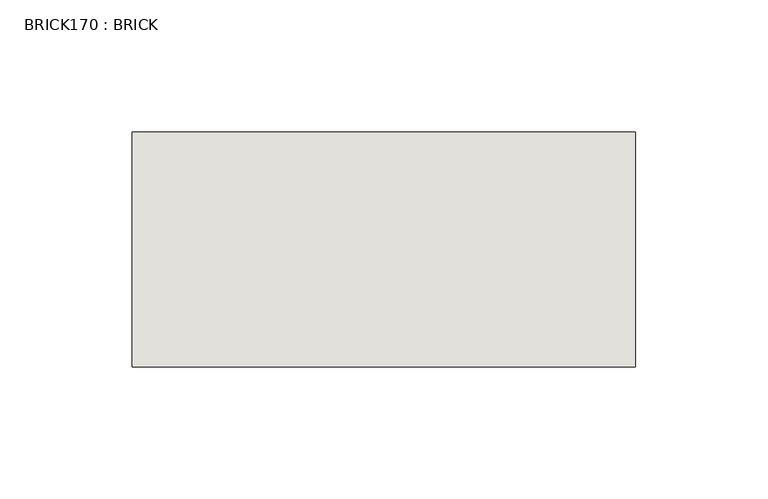
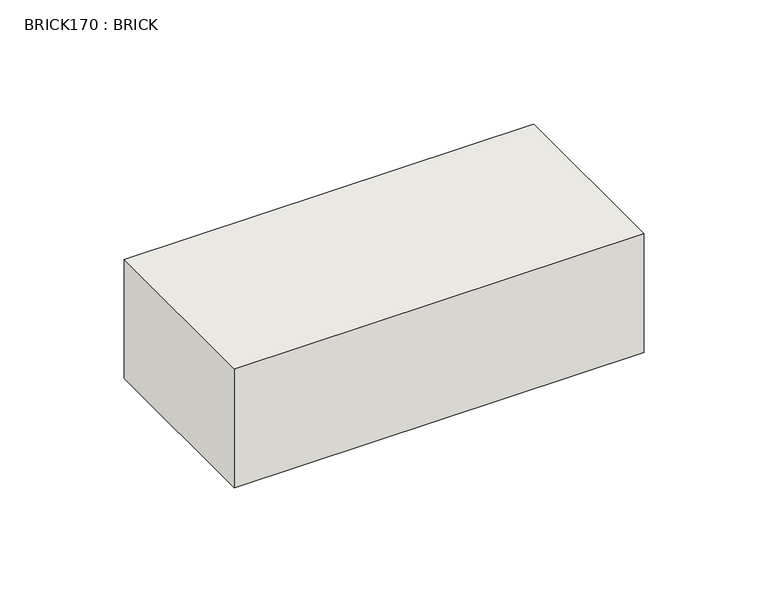
"""IFC4 building model written with IfcOpenShell, lengths in millimetres: wall geometry, BRICK170 : BRICK."""

from ifc_helpers import new_model, si_unit, frame, origin, place, context, project, spatial, polyline, outline, extrude, source, transform, mapped, element, save


def brick170_brick_84d87aa5(model_context):
    return source(origin(), model_context, "Body", "SweptSolid", [
        extrude(outline(polyline([(-159.1316239, 3062.3923312), (31.3683761, 3062.3923312), (31.3683761, 2973.4923312), (-159.1316239, 2973.4923312), (-159.1316239, 3062.3923312)])), frame((0.0, 0.0, 214.0148438), z_axis=(0.0, 0.0, 1.0), x_axis=(1.0, 0.0, 0.0)), (0.0, 0.0, 1.0), 58.4398437),
    ])


if __name__ == "__main__":
    model = new_model("IFC4")
    model_context = context("Model", 3, world=origin())
    ifc_project = project(units=[si_unit("LENGTHUNIT", "METRE", prefix="MILLI")], contexts=[model_context])
    site = spatial("IfcSite", under=ifc_project)
    building = spatial("IfcBuilding", under=site)
    placement = place(None, origin())
    brick170_brick_shape = brick170_brick_84d87aa5(model_context)
    element("IfcWall", 1, ObjectType="BRICK170 : BRICK", at=placement, inside=building, context=model_context, shape_type="MappedRepresentation", body=[
        mapped(brick170_brick_shape, transform((0.0, 0.0, 0.0), x_axis=(1.0, 0.0, 0.0), y_axis=(0.0, 1.0, 0.0), z_axis=(0.0, 0.0, 1.0))),
    ])
    save(model, "model.ifc")
